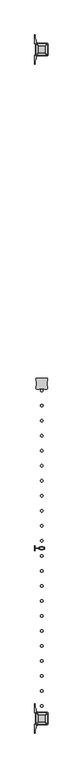
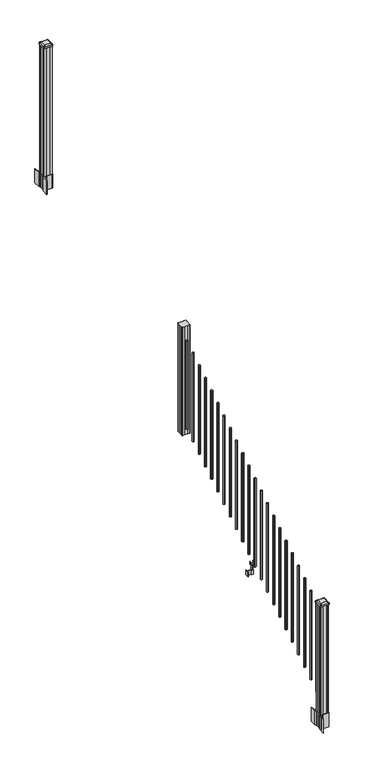
"""IFC4 building model written with IfcOpenShell, lengths in millimetres: railing geometry."""

from ifc_helpers import new_model, si_unit, point, frame, frame_2d, origin, place, context, project, spatial, polyline, circle_curve, trimmed, segment, composite_curve, outline, extrude, source, transform, mapped, element, save
from ifc_brep_helpers import plane_surface, extruded_surface, advanced_brep


def railing_ba04a3ee(model_context):
    return source(origin(), model_context, "Body", "SolidModel", [
        extrude(outline(polyline([(11204.5927034, -19900.5544681), (11203.0052034, -19898.9669681), (11203.0052034, -19879.3454681), (11204.5927034, -19878.5834681), (11204.5927034, -19839.9754681), (11203.0052034, -19839.2134681), (11203.0052034, -19819.5919681), (11204.5927034, -19818.0044681), (11224.2142034, -19818.0044681), (11224.9762034, -19819.5919681), (11263.5842034, -19819.5919681), (11264.3462034, -19818.0044681), (11283.9677034, -19818.0044681), (11285.5552034, -19819.5919681), (11285.5552034, -19839.2134681), (11283.9677034, -19839.9754681), (11283.9677034, -19878.5834681), (11285.5552034, -19879.3454681), (11285.5552034, -19898.9669681), (11283.9677034, -19900.5544681), (11264.3462034, -19900.5544681), (11263.5842034, -19898.9669681), (11224.9762034, -19898.9669681), (11224.2142034, -19900.5544681), (11204.5927034, -19900.5544681)])), frame((0.0, 0.0, 1716.0875), z_axis=(0.0, 0.0, 1.0), x_axis=(1.0, 0.0, 0.0)), (0.0, 0.0, 1.0), 1183.764263),
        extrude(outline(composite_curve([segment(trimmed(circle_curve(frame_2d((11244.2802034, -19911.6034681)), 9.525), [point((11253.8052034, -19911.6034681))], [point((11244.2802034, -19921.1284681))], False, "CARTESIAN"), True, "CONTINUOUS"), segment(trimmed(circle_curve(frame_2d((11244.2802034, -19911.6034681)), 9.525), [point((11244.2802034, -19921.1284681))], [point((11234.7552034, -19911.6034681))], False, "CARTESIAN"), True, "CONTINUOUS"), segment(trimmed(circle_curve(frame_2d((11244.2802034, -19911.6034681)), 9.525), [point((11234.7552034, -19911.6034681))], [point((11244.2802034, -19902.0784681))], False, "CARTESIAN"), True, "CONTINUOUS"), segment(trimmed(circle_curve(frame_2d((11244.2802034, -19911.6034681)), 9.525), [point((11244.2802034, -19902.0784681))], [point((11253.8052034, -19911.6034681))], False, "CARTESIAN"), True, "CONTINUOUS")], self_intersect=False)), frame((0.0, 0.0, 1784.9808781), z_axis=(0.0, 0.0, 1.0), x_axis=(1.0, 0.0, 0.0)), (0.0, 0.0, 1.0), 965.2041219),
        extrude(outline(composite_curve([segment(trimmed(circle_curve(frame_2d((11244.2802034, -20022.8554681)), 9.525), [point((11253.8052034, -20022.8554681))], [point((11244.2802034, -20032.3804681))], False, "CARTESIAN"), True, "CONTINUOUS"), segment(trimmed(circle_curve(frame_2d((11244.2802034, -20022.8554681)), 9.525), [point((11244.2802034, -20032.3804681))], [point((11234.7552034, -20022.8554681))], False, "CARTESIAN"), True, "CONTINUOUS"), segment(trimmed(circle_curve(frame_2d((11244.2802034, -20022.8554681)), 9.525), [point((11234.7552034, -20022.8554681))], [point((11244.2802034, -20013.3304681))], False, "CARTESIAN"), True, "CONTINUOUS"), segment(trimmed(circle_curve(frame_2d((11244.2802034, -20022.8554681)), 9.525), [point((11244.2802034, -20013.3304681))], [point((11253.8052034, -20022.8554681))], False, "CARTESIAN"), True, "CONTINUOUS")], self_intersect=False)), frame((0.0, 0.0, 1715.4483781), z_axis=(0.0, 0.0, 1.0), x_axis=(1.0, 0.0, 0.0)), (0.0, 0.0, 1.0), 965.2041219),
        extrude(outline(composite_curve([segment(trimmed(circle_curve(frame_2d((11244.2802034, -20134.1074681)), 9.525), [point((11253.8052034, -20134.1074681))], [point((11244.2802034, -20143.6324681))], False, "CARTESIAN"), True, "CONTINUOUS"), segment(trimmed(circle_curve(frame_2d((11244.2802034, -20134.1074681)), 9.525), [point((11244.2802034, -20143.6324681))], [point((11234.7552034, -20134.1074681))], False, "CARTESIAN"), True, "CONTINUOUS"), segment(trimmed(circle_curve(frame_2d((11244.2802034, -20134.1074681)), 9.525), [point((11234.7552034, -20134.1074681))], [point((11244.2802034, -20124.5824681))], False, "CARTESIAN"), True, "CONTINUOUS"), segment(trimmed(circle_curve(frame_2d((11244.2802034, -20134.1074681)), 9.525), [point((11244.2802034, -20124.5824681))], [point((11253.8052034, -20134.1074681))], False, "CARTESIAN"), True, "CONTINUOUS")], self_intersect=False)), frame((0.0, 0.0, 1645.9158781), z_axis=(0.0, 0.0, 1.0), x_axis=(1.0, 0.0, 0.0)), (0.0, 0.0, 1.0), 965.2041219),
        extrude(outline(composite_curve([segment(trimmed(circle_curve(frame_2d((11244.2802034, -20245.3594681)), 9.525), [point((11253.8052034, -20245.3594681))], [point((11244.2802034, -20254.8844681))], False, "CARTESIAN"), True, "CONTINUOUS"), segment(trimmed(circle_curve(frame_2d((11244.2802034, -20245.3594681)), 9.525), [point((11244.2802034, -20254.8844681))], [point((11234.7552034, -20245.3594681))], False, "CARTESIAN"), True, "CONTINUOUS"), segment(trimmed(circle_curve(frame_2d((11244.2802034, -20245.3594681)), 9.525), [point((11234.7552034, -20245.3594681))], [point((11244.2802034, -20235.8344681))], False, "CARTESIAN"), True, "CONTINUOUS"), segment(trimmed(circle_curve(frame_2d((11244.2802034, -20245.3594681)), 9.525), [point((11244.2802034, -20235.8344681))], [point((11253.8052034, -20245.3594681))], False, "CARTESIAN"), True, "CONTINUOUS")], self_intersect=False)), frame((0.0, 0.0, 1576.3833781), z_axis=(0.0, 0.0, 1.0), x_axis=(1.0, 0.0, 0.0)), (0.0, 0.0, 1.0), 965.2041219),
        extrude(outline(composite_curve([segment(trimmed(circle_curve(frame_2d((11244.2802034, -20356.6114681)), 9.525), [point((11253.8052034, -20356.6114681))], [point((11244.2802034, -20366.1364681))], False, "CARTESIAN"), True, "CONTINUOUS"), segment(trimmed(circle_curve(frame_2d((11244.2802034, -20356.6114681)), 9.525), [point((11244.2802034, -20366.1364681))], [point((11234.7552034, -20356.6114681))], False, "CARTESIAN"), True, "CONTINUOUS"), segment(trimmed(circle_curve(frame_2d((11244.2802034, -20356.6114681)), 9.525), [point((11234.7552034, -20356.6114681))], [point((11244.2802034, -20347.0864681))], False, "CARTESIAN"), True, "CONTINUOUS"), segment(trimmed(circle_curve(frame_2d((11244.2802034, -20356.6114681)), 9.525), [point((11244.2802034, -20347.0864681))], [point((11253.8052034, -20356.6114681))], False, "CARTESIAN"), True, "CONTINUOUS")], self_intersect=False)), frame((0.0, 0.0, 1506.8508781), z_axis=(0.0, 0.0, 1.0), x_axis=(1.0, 0.0, 0.0)), (0.0, 0.0, 1.0), 965.2041219),
        extrude(outline(composite_curve([segment(trimmed(circle_curve(frame_2d((11244.2802034, -20467.8634681)), 9.525), [point((11253.8052034, -20467.8634681))], [point((11244.2802034, -20477.3884681))], False, "CARTESIAN"), True, "CONTINUOUS"), segment(trimmed(circle_curve(frame_2d((11244.2802034, -20467.8634681)), 9.525), [point((11244.2802034, -20477.3884681))], [point((11234.7552034, -20467.8634681))], False, "CARTESIAN"), True, "CONTINUOUS"), segment(trimmed(circle_curve(frame_2d((11244.2802034, -20467.8634681)), 9.525), [point((11234.7552034, -20467.8634681))], [point((11244.2802034, -20458.3384681))], False, "CARTESIAN"), True, "CONTINUOUS"), segment(trimmed(circle_curve(frame_2d((11244.2802034, -20467.8634681)), 9.525), [point((11244.2802034, -20458.3384681))], [point((11253.8052034, -20467.8634681))], False, "CARTESIAN"), True, "CONTINUOUS")], self_intersect=False)), frame((0.0, 0.0, 1437.3183781), z_axis=(0.0, 0.0, 1.0), x_axis=(1.0, 0.0, 0.0)), (0.0, 0.0, 1.0), 965.2041219),
        extrude(outline(composite_curve([segment(trimmed(circle_curve(frame_2d((11244.2802034, -20579.1154681)), 9.525), [point((11253.8052034, -20579.1154681))], [point((11244.2802034, -20588.6404681))], False, "CARTESIAN"), True, "CONTINUOUS"), segment(trimmed(circle_curve(frame_2d((11244.2802034, -20579.1154681)), 9.525), [point((11244.2802034, -20588.6404681))], [point((11234.7552034, -20579.1154681))], False, "CARTESIAN"), True, "CONTINUOUS"), segment(trimmed(circle_curve(frame_2d((11244.2802034, -20579.1154681)), 9.525), [point((11234.7552034, -20579.1154681))], [point((11244.2802034, -20569.5904681))], False, "CARTESIAN"), True, "CONTINUOUS"), segment(trimmed(circle_curve(frame_2d((11244.2802034, -20579.1154681)), 9.525), [point((11244.2802034, -20569.5904681))], [point((11253.8052034, -20579.1154681))], False, "CARTESIAN"), True, "CONTINUOUS")], self_intersect=False)), frame((0.0, 0.0, 1367.7858781), z_axis=(0.0, 0.0, 1.0), x_axis=(1.0, 0.0, 0.0)), (0.0, 0.0, 1.0), 965.2041219),
        extrude(outline(composite_curve([segment(trimmed(circle_curve(frame_2d((11244.2802034, -20690.3674681)), 9.525), [point((11253.8052034, -20690.3674681))], [point((11244.2802034, -20699.8924681))], False, "CARTESIAN"), True, "CONTINUOUS"), segment(trimmed(circle_curve(frame_2d((11244.2802034, -20690.3674681)), 9.525), [point((11244.2802034, -20699.8924681))], [point((11234.7552034, -20690.3674681))], False, "CARTESIAN"), True, "CONTINUOUS"), segment(trimmed(circle_curve(frame_2d((11244.2802034, -20690.3674681)), 9.525), [point((11234.7552034, -20690.3674681))], [point((11244.2802034, -20680.8424681))], False, "CARTESIAN"), True, "CONTINUOUS"), segment(trimmed(circle_curve(frame_2d((11244.2802034, -20690.3674681)), 9.525), [point((11244.2802034, -20680.8424681))], [point((11253.8052034, -20690.3674681))], False, "CARTESIAN"), True, "CONTINUOUS")], self_intersect=False)), frame((0.0, 0.0, 1298.2533781), z_axis=(0.0, 0.0, 1.0), x_axis=(1.0, 0.0, 0.0)), (0.0, 0.0, 1.0), 965.2041219),
        extrude(outline(composite_curve([segment(trimmed(circle_curve(frame_2d((11244.2802034, -20801.6194681)), 9.525), [point((11253.8052034, -20801.6194681))], [point((11244.2802034, -20811.1444681))], False, "CARTESIAN"), True, "CONTINUOUS"), segment(trimmed(circle_curve(frame_2d((11244.2802034, -20801.6194681)), 9.525), [point((11244.2802034, -20811.1444681))], [point((11234.7552034, -20801.6194681))], False, "CARTESIAN"), True, "CONTINUOUS"), segment(trimmed(circle_curve(frame_2d((11244.2802034, -20801.6194681)), 9.525), [point((11234.7552034, -20801.6194681))], [point((11244.2802034, -20792.0944681))], False, "CARTESIAN"), True, "CONTINUOUS"), segment(trimmed(circle_curve(frame_2d((11244.2802034, -20801.6194681)), 9.525), [point((11244.2802034, -20792.0944681))], [point((11253.8052034, -20801.6194681))], False, "CARTESIAN"), True, "CONTINUOUS")], self_intersect=False)), frame((0.0, 0.0, 1228.7208781), z_axis=(0.0, 0.0, 1.0), x_axis=(1.0, 0.0, 0.0)), (0.0, 0.0, 1.0), 965.2041219),
        extrude(outline(composite_curve([segment(trimmed(circle_curve(frame_2d((11244.2802034, -20912.8714681)), 9.525), [point((11253.8052034, -20912.8714681))], [point((11244.2802034, -20922.3964681))], False, "CARTESIAN"), True, "CONTINUOUS"), segment(trimmed(circle_curve(frame_2d((11244.2802034, -20912.8714681)), 9.525), [point((11244.2802034, -20922.3964681))], [point((11234.7552034, -20912.8714681))], False, "CARTESIAN"), True, "CONTINUOUS"), segment(trimmed(circle_curve(frame_2d((11244.2802034, -20912.8714681)), 9.525), [point((11234.7552034, -20912.8714681))], [point((11244.2802034, -20903.3464681))], False, "CARTESIAN"), True, "CONTINUOUS"), segment(trimmed(circle_curve(frame_2d((11244.2802034, -20912.8714681)), 9.525), [point((11244.2802034, -20903.3464681))], [point((11253.8052034, -20912.8714681))], False, "CARTESIAN"), True, "CONTINUOUS")], self_intersect=False)), frame((0.0, 0.0, 1159.1883781), z_axis=(0.0, 0.0, 1.0), x_axis=(1.0, 0.0, 0.0)), (0.0, 0.0, 1.0), 965.2041219),
        extrude(outline(composite_curve([segment(trimmed(circle_curve(frame_2d((11244.2802034, -21024.1234681)), 9.525), [point((11253.8052034, -21024.1234681))], [point((11244.2802034, -21033.6484681))], False, "CARTESIAN"), True, "CONTINUOUS"), segment(trimmed(circle_curve(frame_2d((11244.2802034, -21024.1234681)), 9.525), [point((11244.2802034, -21033.6484681))], [point((11234.7552034, -21024.1234681))], False, "CARTESIAN"), True, "CONTINUOUS"), segment(trimmed(circle_curve(frame_2d((11244.2802034, -21024.1234681)), 9.525), [point((11234.7552034, -21024.1234681))], [point((11244.2802034, -21014.5984681))], False, "CARTESIAN"), True, "CONTINUOUS"), segment(trimmed(circle_curve(frame_2d((11244.2802034, -21024.1234681)), 9.525), [point((11244.2802034, -21014.5984681))], [point((11253.8052034, -21024.1234681))], False, "CARTESIAN"), True, "CONTINUOUS")], self_intersect=False)), frame((0.0, 0.0, 1089.6558781), z_axis=(0.0, 0.0, 1.0), x_axis=(1.0, 0.0, 0.0)), (0.0, 0.0, 1.0), 965.2041219),
        extrude(outline(polyline([(11233.6122036, -21081.0194681), (11194.2422034, -21081.0194681), (11194.2422034, -21078.4794681), (11233.6122036, -21078.4794681), (11233.6122036, -21081.0194681)])), frame((0.0, 0.0, 902.49375), z_axis=(0.0, 0.0, 1.0), x_axis=(1.0, 0.0, 0.0)), (0.0, 0.0, 1.0), 50.8),
        extrude(outline(polyline([(11194.2422034, -21098.7994681), (11191.7022034, -21098.7994681), (11191.7022034, -21060.6994681), (11194.2422034, -21060.6994681), (11194.2422034, -21098.7994681)])), frame((0.0, 0.0, 902.49375), z_axis=(0.0, 0.0, 1.0), x_axis=(1.0, 0.0, 0.0)), (0.0, 0.0, 1.0), 50.8),
        extrude(outline(polyline([(11254.9482041, -21089.6554681), (11233.6122036, -21089.6554681), (11233.6122036, -21069.8434681), (11254.9482041, -21069.8434681), (11254.9482041, -21089.6554681)]), holes=[polyline([(11251.646204, -21087.1154681), (11251.646204, -21072.3834681), (11236.9142037, -21072.3834681), (11236.9142037, -21087.1154681), (11251.646204, -21087.1154681)])]), frame((0.0, 0.0, 902.49375), z_axis=(0.0, 0.0, 1.0), x_axis=(1.0, 0.0, 0.0)), (0.0, 0.0, 1.0), 50.8),
        extrude(outline(polyline([(1042.0141479, 11226.1192046), (1041.2521469, 11225.3572035), (1014.7617523, 11225.3572035), (1013.9997513, 11226.1192046), (1013.9997513, 11236.1522036), (1013.2377512, 11236.9142037), (949.7377512, 11236.9142037), (949.7377512, 11251.646204), (1013.2377512, 11251.646204), (1013.9997513, 11252.4082041), (1013.9997513, 11262.4412032), (1014.7617523, 11263.2032042), (1041.2521469, 11263.2032042), (1042.0141479, 11262.4412032), (1042.0141479, 11260.4092036), (1040.9981453, 11259.3932038), (1030.5623581, 11259.3932038), (1029.5463573, 11260.4092036), (1017.555751, 11260.4092036), (1016.7937519, 11259.6472044), (1016.7937519, 11228.9132033), (1017.555751, 11228.1512041), (1029.5463573, 11228.1512041), (1030.5623581, 11229.1672039), (1040.9981453, 11229.1672039), (1042.0141479, 11228.1512041), (1042.0141479, 11226.1192046)]), holes=[polyline([(1013.9997513, 11247.7092038), (1013.2377512, 11248.4712038), (957.2307531, 11248.4712038), (956.4687531, 11247.7092038), (956.4687531, 11240.8512011), (957.2307503, 11240.0892039), (1013.2377512, 11240.0892039), (1013.9997513, 11240.851204), (1013.9997513, 11247.7092038)])]), frame((0.0, -21087.1154681, 0.0), z_axis=(0.0, 1.0, 0.0), x_axis=(0.0, 0.0, 1.0)), (0.0, 0.0, 1.0), 14.732),
        extrude(outline(composite_curve([segment(trimmed(circle_curve(frame_2d((11244.2802034, -21135.3754681)), 9.525), [point((11253.8052034, -21135.3754681))], [point((11244.2802034, -21144.9004681))], False, "CARTESIAN"), True, "CONTINUOUS"), segment(trimmed(circle_curve(frame_2d((11244.2802034, -21135.3754681)), 9.525), [point((11244.2802034, -21144.9004681))], [point((11234.7552034, -21135.3754681))], False, "CARTESIAN"), True, "CONTINUOUS"), segment(trimmed(circle_curve(frame_2d((11244.2802034, -21135.3754681)), 9.525), [point((11234.7552034, -21135.3754681))], [point((11244.2802034, -21125.8504681))], False, "CARTESIAN"), True, "CONTINUOUS"), segment(trimmed(circle_curve(frame_2d((11244.2802034, -21135.3754681)), 9.525), [point((11244.2802034, -21125.8504681))], [point((11253.8052034, -21135.3754681))], False, "CARTESIAN"), True, "CONTINUOUS")], self_intersect=False)), frame((0.0, 0.0, 1020.1233781), z_axis=(0.0, 0.0, 1.0), x_axis=(1.0, 0.0, 0.0)), (0.0, 0.0, 1.0), 965.2041219),
        extrude(outline(composite_curve([segment(trimmed(circle_curve(frame_2d((11244.2802034, -21246.6274681)), 9.525), [point((11253.8052034, -21246.6274681))], [point((11244.2802034, -21256.1524681))], False, "CARTESIAN"), True, "CONTINUOUS"), segment(trimmed(circle_curve(frame_2d((11244.2802034, -21246.6274681)), 9.525), [point((11244.2802034, -21256.1524681))], [point((11234.7552034, -21246.6274681))], False, "CARTESIAN"), True, "CONTINUOUS"), segment(trimmed(circle_curve(frame_2d((11244.2802034, -21246.6274681)), 9.525), [point((11234.7552034, -21246.6274681))], [point((11244.2802034, -21237.1024681))], False, "CARTESIAN"), True, "CONTINUOUS"), segment(trimmed(circle_curve(frame_2d((11244.2802034, -21246.6274681)), 9.525), [point((11244.2802034, -21237.1024681))], [point((11253.8052034, -21246.6274681))], False, "CARTESIAN"), True, "CONTINUOUS")], self_intersect=False)), frame((0.0, 0.0, 950.5908781), z_axis=(0.0, 0.0, 1.0), x_axis=(1.0, 0.0, 0.0)), (0.0, 0.0, 1.0), 965.2041219),
        extrude(outline(composite_curve([segment(trimmed(circle_curve(frame_2d((11244.2802034, -21357.8794681)), 9.525), [point((11253.8052034, -21357.8794681))], [point((11244.2802034, -21367.4044681))], False, "CARTESIAN"), True, "CONTINUOUS"), segment(trimmed(circle_curve(frame_2d((11244.2802034, -21357.8794681)), 9.525), [point((11244.2802034, -21367.4044681))], [point((11234.7552034, -21357.8794681))], False, "CARTESIAN"), True, "CONTINUOUS"), segment(trimmed(circle_curve(frame_2d((11244.2802034, -21357.8794681)), 9.525), [point((11234.7552034, -21357.8794681))], [point((11244.2802034, -21348.3544681))], False, "CARTESIAN"), True, "CONTINUOUS"), segment(trimmed(circle_curve(frame_2d((11244.2802034, -21357.8794681)), 9.525), [point((11244.2802034, -21348.3544681))], [point((11253.8052034, -21357.8794681))], False, "CARTESIAN"), True, "CONTINUOUS")], self_intersect=False)), frame((0.0, 0.0, 881.0583781), z_axis=(0.0, 0.0, 1.0), x_axis=(1.0, 0.0, 0.0)), (0.0, 0.0, 1.0), 965.2041219),
        extrude(outline(composite_curve([segment(trimmed(circle_curve(frame_2d((11244.2802034, -21469.1314681)), 9.525), [point((11253.8052034, -21469.1314681))], [point((11244.2802034, -21478.6564681))], False, "CARTESIAN"), True, "CONTINUOUS"), segment(trimmed(circle_curve(frame_2d((11244.2802034, -21469.1314681)), 9.525), [point((11244.2802034, -21478.6564681))], [point((11234.7552034, -21469.1314681))], False, "CARTESIAN"), True, "CONTINUOUS"), segment(trimmed(circle_curve(frame_2d((11244.2802034, -21469.1314681)), 9.525), [point((11234.7552034, -21469.1314681))], [point((11244.2802034, -21459.6064681))], False, "CARTESIAN"), True, "CONTINUOUS"), segment(trimmed(circle_curve(frame_2d((11244.2802034, -21469.1314681)), 9.525), [point((11244.2802034, -21459.6064681))], [point((11253.8052034, -21469.1314681))], False, "CARTESIAN"), True, "CONTINUOUS")], self_intersect=False)), frame((0.0, 0.0, 811.5258781), z_axis=(0.0, 0.0, 1.0), x_axis=(1.0, 0.0, 0.0)), (0.0, 0.0, 1.0), 965.2041219),
        extrude(outline(composite_curve([segment(trimmed(circle_curve(frame_2d((11244.2802034, -21580.3834681)), 9.525), [point((11253.8052034, -21580.3834681))], [point((11244.2802034, -21589.9084681))], False, "CARTESIAN"), True, "CONTINUOUS"), segment(trimmed(circle_curve(frame_2d((11244.2802034, -21580.3834681)), 9.525), [point((11244.2802034, -21589.9084681))], [point((11234.7552034, -21580.3834681))], False, "CARTESIAN"), True, "CONTINUOUS"), segment(trimmed(circle_curve(frame_2d((11244.2802034, -21580.3834681)), 9.525), [point((11234.7552034, -21580.3834681))], [point((11244.2802034, -21570.8584681))], False, "CARTESIAN"), True, "CONTINUOUS"), segment(trimmed(circle_curve(frame_2d((11244.2802034, -21580.3834681)), 9.525), [point((11244.2802034, -21570.8584681))], [point((11253.8052034, -21580.3834681))], False, "CARTESIAN"), True, "CONTINUOUS")], self_intersect=False)), frame((0.0, 0.0, 741.9933781), z_axis=(0.0, 0.0, 1.0), x_axis=(1.0, 0.0, 0.0)), (0.0, 0.0, 1.0), 965.2041219),
        extrude(outline(composite_curve([segment(trimmed(circle_curve(frame_2d((11244.2802034, -21691.6354681)), 9.525), [point((11253.8052034, -21691.6354681))], [point((11244.2802034, -21701.1604681))], False, "CARTESIAN"), True, "CONTINUOUS"), segment(trimmed(circle_curve(frame_2d((11244.2802034, -21691.6354681)), 9.525), [point((11244.2802034, -21701.1604681))], [point((11234.7552034, -21691.6354681))], False, "CARTESIAN"), True, "CONTINUOUS"), segment(trimmed(circle_curve(frame_2d((11244.2802034, -21691.6354681)), 9.525), [point((11234.7552034, -21691.6354681))], [point((11244.2802034, -21682.1104681))], False, "CARTESIAN"), True, "CONTINUOUS"), segment(trimmed(circle_curve(frame_2d((11244.2802034, -21691.6354681)), 9.525), [point((11244.2802034, -21682.1104681))], [point((11253.8052034, -21691.6354681))], False, "CARTESIAN"), True, "CONTINUOUS")], self_intersect=False)), frame((0.0, 0.0, 672.4608781), z_axis=(0.0, 0.0, 1.0), x_axis=(1.0, 0.0, 0.0)), (0.0, 0.0, 1.0), 965.2041219),
        extrude(outline(composite_curve([segment(trimmed(circle_curve(frame_2d((11244.2802034, -21802.8874681)), 9.525), [point((11253.8052034, -21802.8874681))], [point((11244.2802034, -21812.4124681))], False, "CARTESIAN"), True, "CONTINUOUS"), segment(trimmed(circle_curve(frame_2d((11244.2802034, -21802.8874681)), 9.525), [point((11244.2802034, -21812.4124681))], [point((11234.7552034, -21802.8874681))], False, "CARTESIAN"), True, "CONTINUOUS"), segment(trimmed(circle_curve(frame_2d((11244.2802034, -21802.8874681)), 9.525), [point((11234.7552034, -21802.8874681))], [point((11244.2802034, -21793.3624681))], False, "CARTESIAN"), True, "CONTINUOUS"), segment(trimmed(circle_curve(frame_2d((11244.2802034, -21802.8874681)), 9.525), [point((11244.2802034, -21793.3624681))], [point((11253.8052034, -21802.8874681))], False, "CARTESIAN"), True, "CONTINUOUS")], self_intersect=False)), frame((0.0, 0.0, 602.9283781), z_axis=(0.0, 0.0, 1.0), x_axis=(1.0, 0.0, 0.0)), (0.0, 0.0, 1.0), 965.2041219),
        extrude(outline(composite_curve([segment(trimmed(circle_curve(frame_2d((11244.2802034, -21914.1394681)), 9.525), [point((11253.8052034, -21914.1394681))], [point((11244.2802034, -21923.6644681))], False, "CARTESIAN"), True, "CONTINUOUS"), segment(trimmed(circle_curve(frame_2d((11244.2802034, -21914.1394681)), 9.525), [point((11244.2802034, -21923.6644681))], [point((11234.7552034, -21914.1394681))], False, "CARTESIAN"), True, "CONTINUOUS"), segment(trimmed(circle_curve(frame_2d((11244.2802034, -21914.1394681)), 9.525), [point((11234.7552034, -21914.1394681))], [point((11244.2802034, -21904.6144681))], False, "CARTESIAN"), True, "CONTINUOUS"), segment(trimmed(circle_curve(frame_2d((11244.2802034, -21914.1394681)), 9.525), [point((11244.2802034, -21904.6144681))], [point((11253.8052034, -21914.1394681))], False, "CARTESIAN"), True, "CONTINUOUS")], self_intersect=False)), frame((0.0, 0.0, 533.3958781), z_axis=(0.0, 0.0, 1.0), x_axis=(1.0, 0.0, 0.0)), (0.0, 0.0, 1.0), 965.2041219),
        extrude(outline(composite_curve([segment(trimmed(circle_curve(frame_2d((11244.2802034, -22025.3914681)), 9.525), [point((11253.8052034, -22025.3914681))], [point((11244.2802034, -22034.9164681))], False, "CARTESIAN"), True, "CONTINUOUS"), segment(trimmed(circle_curve(frame_2d((11244.2802034, -22025.3914681)), 9.525), [point((11244.2802034, -22034.9164681))], [point((11234.7552034, -22025.3914681))], False, "CARTESIAN"), True, "CONTINUOUS"), segment(trimmed(circle_curve(frame_2d((11244.2802034, -22025.3914681)), 9.525), [point((11234.7552034, -22025.3914681))], [point((11244.2802034, -22015.8664681))], False, "CARTESIAN"), True, "CONTINUOUS"), segment(trimmed(circle_curve(frame_2d((11244.2802034, -22025.3914681)), 9.525), [point((11244.2802034, -22015.8664681))], [point((11253.8052034, -22025.3914681))], False, "CARTESIAN"), True, "CONTINUOUS")], self_intersect=False)), frame((0.0, 0.0, 463.8633781), z_axis=(0.0, 0.0, 1.0), x_axis=(1.0, 0.0, 0.0)), (0.0, 0.0, 1.0), 965.2041219),
        extrude(outline(composite_curve([segment(trimmed(circle_curve(frame_2d((11244.2802034, -22136.6434681)), 9.525), [point((11253.8052034, -22136.6434681))], [point((11244.2802034, -22146.1684681))], False, "CARTESIAN"), True, "CONTINUOUS"), segment(trimmed(circle_curve(frame_2d((11244.2802034, -22136.6434681)), 9.525), [point((11244.2802034, -22146.1684681))], [point((11234.7552034, -22136.6434681))], False, "CARTESIAN"), True, "CONTINUOUS"), segment(trimmed(circle_curve(frame_2d((11244.2802034, -22136.6434681)), 9.525), [point((11234.7552034, -22136.6434681))], [point((11244.2802034, -22127.1184681))], False, "CARTESIAN"), True, "CONTINUOUS"), segment(trimmed(circle_curve(frame_2d((11244.2802034, -22136.6434681)), 9.525), [point((11244.2802034, -22127.1184681))], [point((11253.8052034, -22136.6434681))], False, "CARTESIAN"), True, "CONTINUOUS")], self_intersect=False)), frame((0.0, 0.0, 394.3308781), z_axis=(0.0, 0.0, 1.0), x_axis=(1.0, 0.0, 0.0)), (0.0, 0.0, 1.0), 965.2041219),
        extrude(outline(composite_curve([segment(trimmed(circle_curve(frame_2d((11244.2802034, -22247.8954681)), 9.525), [point((11253.8052034, -22247.8954681))], [point((11244.2802034, -22257.4204681))], False, "CARTESIAN"), True, "CONTINUOUS"), segment(trimmed(circle_curve(frame_2d((11244.2802034, -22247.8954681)), 9.525), [point((11244.2802034, -22257.4204681))], [point((11234.7552034, -22247.8954681))], False, "CARTESIAN"), True, "CONTINUOUS"), segment(trimmed(circle_curve(frame_2d((11244.2802034, -22247.8954681)), 9.525), [point((11234.7552034, -22247.8954681))], [point((11244.2802034, -22238.3704681))], False, "CARTESIAN"), True, "CONTINUOUS"), segment(trimmed(circle_curve(frame_2d((11244.2802034, -22247.8954681)), 9.525), [point((11244.2802034, -22238.3704681))], [point((11253.8052034, -22247.8954681))], False, "CARTESIAN"), True, "CONTINUOUS")], self_intersect=False)), frame((0.0, 0.0, 324.7983781), z_axis=(0.0, 0.0, 1.0), x_axis=(1.0, 0.0, 0.0)), (0.0, 0.0, 1.0), 965.2041219),
        extrude(outline(polyline([(11204.5927034, -17423.2924681), (11203.0052034, -17421.7049681), (11203.0052034, -17402.0834681), (11204.5927034, -17401.3214681), (11204.5927034, -17362.7134681), (11203.0052034, -17361.9514681), (11203.0052034, -17342.3299681), (11204.5927034, -17340.7424681), (11224.2142034, -17340.7424681), (11224.9762034, -17342.3299681), (11263.5842034, -17342.3299681), (11264.3462034, -17340.7424681), (11283.9677034, -17340.7424681), (11285.5552034, -17342.3299681), (11285.5552034, -17361.9514681), (11283.9677034, -17362.7134681), (11283.9677034, -17401.3214681), (11285.5552034, -17402.0834681), (11285.5552034, -17421.7049681), (11283.9677034, -17423.2924681), (11264.3462034, -17423.2924681), (11263.5842034, -17421.7049681), (11224.9762034, -17421.7049681), (11224.2142034, -17423.2924681), (11204.5927034, -17423.2924681)])), frame((0.0, 0.0, 3048.0), z_axis=(0.0, 0.0, 1.0), x_axis=(1.0, 0.0, 0.0)), (0.0, 0.0, 1.0), 1400.140513),
        extrude(outline(composite_curve([segment(polyline([(11287.0157034, -17399.403563), (11288.6032034, -17400.165563), (11288.6032034, -17422.967491), (11285.2302263, -17426.3404681), (11223.7705555, -17426.3404681), (11223.7705555, -17427.2612181), (11218.4530117, -17427.2612181), (11218.4530117, -17428.7154728), (11213.368482, -17428.7154728), (11213.368482, -17429.9994966), (11211.7012097, -17429.9994966)]), True, "CONTINUOUS"), segment(trimmed(circle_curve(frame_2d((11211.7012097, -17437.0589565)), 7.0594599), [point((11211.7012097, -17429.9994966))], [point((11204.9339468, -17435.0489498))], True, "CARTESIAN"), True, "CONTINUOUS"), segment(polyline([(11204.9339468, -17435.0489498), (11197.0597526, -17461.5596789)]), True, "CONTINUOUS"), segment(trimmed(circle_curve(frame_2d((11251.8442659, -17477.8317285)), 57.15), [point((11197.0597526, -17461.5596789))], [point((11194.6942659, -17477.8317285))], True, "CARTESIAN"), True, "CONTINUOUS"), segment(polyline([(11194.6942659, -17477.8317285), (11194.6942659, -17489.8404681), (11191.6942659, -17489.8404681), (11191.6942659, -17424.7529681), (11199.9572034, -17413.4146768), (11199.9572034, -17400.165563), (11201.5447034, -17399.403563), (11201.5447034, -17364.6313732), (11199.9572034, -17363.8693732), (11199.9572034, -17350.6202594), (11191.6942659, -17339.2819681), (11191.6942659, -17274.1944681), (11194.6942659, -17274.1944681), (11194.6942659, -17286.2032076)]), True, "CONTINUOUS"), segment(trimmed(circle_curve(frame_2d((11251.8442659, -17286.2032076)), 57.15), [point((11194.6942659, -17286.2032076))], [point((11197.0597526, -17302.4752573))], True, "CARTESIAN"), True, "CONTINUOUS"), segment(polyline([(11197.0597526, -17302.4752573), (11204.9339468, -17328.9859864)]), True, "CONTINUOUS"), segment(trimmed(circle_curve(frame_2d((11211.7012097, -17326.9759797)), 7.0594599), [point((11204.9339468, -17328.9859864))], [point((11211.7012097, -17334.0354396))], True, "CARTESIAN"), True, "CONTINUOUS"), segment(polyline([(11211.7012097, -17334.0354396), (11213.368482, -17334.0354396), (11213.368482, -17335.3194634), (11218.4530117, -17335.3194634), (11218.4530117, -17336.7737181), (11223.7705555, -17336.7737181), (11223.7705555, -17337.6944681), (11285.2302263, -17337.6944681), (11288.6032034, -17341.0674452), (11288.6032034, -17363.8693732), (11287.0157034, -17364.6313732), (11287.0157034, -17399.403563)]), True, "CONTINUOUS")], self_intersect=False), holes=[polyline([(11203.0052034, -17342.3299681), (11203.0052034, -17421.7049681), (11204.5927034, -17423.2924681), (11241.516986, -17423.2924681), (11283.9677034, -17423.2924681), (11285.5552034, -17421.7049681), (11285.5552034, -17342.3299681), (11283.9677034, -17340.7424681), (11241.516986, -17340.7424681), (11204.5927034, -17340.7424681), (11203.0052034, -17342.3299681)])]), frame((0.0, 0.0, 2895.6), z_axis=(0.0, 0.0, 1.0), x_axis=(1.0, 0.0, 0.0)), (0.0, 0.0, 1.0), 152.4),
        advanced_brep(
        [(11218.4833284, -17410.9893431, 4476.715513), (11270.0770784, -17410.9893431, 4476.715513), (11273.2520784, -17407.8143431, 4476.715513), (11273.2520784, -17356.2205931, 4476.715513), (11270.0770784, -17353.0455931, 4476.715513), (11218.4833284, -17353.0455931, 4476.715513), (11215.3083284, -17356.2205931, 4476.715513), (11215.3083284, -17407.8143431, 4476.715513), (11202.2114534, -17427.2612181, 4465.412513), (11199.0364534, -17424.0862181, 4465.412513), (11199.0364534, -17339.9487181, 4465.412513), (11202.2114534, -17336.7737181, 4465.412513), (11286.3489534, -17336.7737181, 4465.412513), (11289.5239534, -17339.9487181, 4465.412513), (11289.5239534, -17424.0862181, 4465.412513), (11286.3489534, -17427.2612181, 4465.412513)],
        [
            (0, 1),
            (1, 2, circle_curve(frame((11270.0770784, -17407.8143431, 4476.715513), z_axis=(0.0, 0.0, 1.0), x_axis=(0.0, 1.0, 0.0)), 3.175)),
            (2, 3),
            (3, 4, circle_curve(frame((11270.0770784, -17356.2205931, 4476.715513), z_axis=(0.0, 0.0, 1.0), x_axis=(0.0, 1.0, 0.0)), 3.175)),
            (4, 5),
            (5, 6, circle_curve(frame((11218.4833284, -17356.2205931, 4476.715513), z_axis=(0.0, 0.0, 1.0), x_axis=(0.0, 1.0, 0.0)), 3.175)),
            (6, 7),
            (7, 0, circle_curve(frame((11218.4833284, -17407.8143431, 4476.715513), z_axis=(0.0, 0.0, 1.0), x_axis=(0.0, 1.0, 0.0)), 3.175)),
            (8, 9, circle_curve(frame((11202.2114534, -17424.0862181, 4465.412513), z_axis=(0.0, 0.0, -1.0), x_axis=(0.0, 1.0, 0.0)), 3.175)),
            (9, 10),
            (10, 11, circle_curve(frame((11202.2114534, -17339.9487181, 4465.412513), z_axis=(0.0, 0.0, -1.0), x_axis=(0.0, 1.0, 0.0)), 3.175)),
            (11, 12),
            (12, 13, circle_curve(frame((11286.3489534, -17339.9487181, 4465.412513), z_axis=(0.0, 0.0, -1.0), x_axis=(0.0, 1.0, 0.0)), 3.175)),
            (13, 14),
            (14, 15, circle_curve(frame((11286.3489534, -17424.0862181, 4465.412513), z_axis=(0.0, 0.0, -1.0), x_axis=(0.0, 1.0, 0.0)), 3.175)),
            (15, 8),
            (8, 0),
            (7, 9),
            (6, 10),
            (5, 11),
            (4, 12),
            (3, 13),
            (2, 14),
            (1, 15),
        ],
        [
            plane_surface(frame((11244.2802034, -17382.0174681, 4476.715513), z_axis=(0.0, 0.0, 1.0), x_axis=(-1.0, 0.0, 0.0))),
            plane_surface(frame((11244.2802034, -17382.0174681, 4465.412513), z_axis=(0.0, 0.0, -1.0), x_axis=(-1.0, 0.0, 0.0))),
            extruded_surface(trimmed(circle_curve(frame((11218.4833284, -17407.8143431, 4476.715513), z_axis=(0.0, 0.0, -1.0), x_axis=(0.0, 1.0, 0.0)), 3.175), [point((11218.4833284, -17410.9893431, 4476.715513))], [point((11215.3083284, -17407.8143431, 4476.715513))], True, "CARTESIAN"), (-16.271875000000364, -16.271875000002183, -11.302999999999884), 25.637972638867726),
            plane_surface(frame((11199.0364534, -17382.0174681, 4465.412513), z_axis=(-0.5705009161540685, 0.0, 0.8212969649690474), x_axis=(0.0, 1.0, 0.0))),
            extruded_surface(trimmed(circle_curve(frame((11218.4833284, -17356.2205931, 4476.715513), z_axis=(0.0, 0.0, -1.0), x_axis=(0.0, 1.0, 0.0)), 3.175), [point((11215.3083284, -17356.2205931, 4476.715513))], [point((11218.4833284, -17353.0455931, 4476.715513))], True, "CARTESIAN"), (-16.271875000000364, 16.271874999998545, -11.302999999999884), 25.63797263886542),
            plane_surface(frame((11244.2802034, -17336.7737181, 4465.412513), z_axis=(0.0, 0.5705009161540291, 0.8212969649690747), x_axis=(1.0, 0.0, 0.0))),
            extruded_surface(trimmed(circle_curve(frame((11270.0770784, -17356.2205931, 4476.715513), z_axis=(0.0, 0.0, -1.0), x_axis=(0.0, 1.0, 0.0)), 3.175), [point((11270.0770784, -17353.0455931, 4476.715513))], [point((11273.2520784, -17356.2205931, 4476.715513))], True, "CARTESIAN"), (16.271875000000364, 16.271874999998545, -11.302999999999884), 25.63797263886542),
            plane_surface(frame((11289.5239534, -17382.0174681, 4465.412513), z_axis=(0.5705009161540235, 0.0, 0.8212969649690786), x_axis=(0.0, -1.0, 0.0))),
            extruded_surface(trimmed(circle_curve(frame((11270.0770784, -17407.8143431, 4476.715513), z_axis=(0.0, 0.0, -1.0), x_axis=(0.0, 1.0, 0.0)), 3.175), [point((11273.2520784, -17407.8143431, 4476.715513))], [point((11270.0770784, -17410.9893431, 4476.715513))], True, "CARTESIAN"), (16.271875000000364, -16.271875000002183, -11.302999999999884), 25.637972638867726),
            plane_surface(frame((11244.2802034, -17427.2612181, 4465.412513), z_axis=(0.0, -0.570500916154034, 0.8212969649690713), x_axis=(-1.0, 0.0, 0.0))),
        ],
        [
            (0, [[1, 2, 3, 4, 5, 6, 7, 8]]),
            (1, [[9, 10, 11, 12, 13, 14, 15, 16]]),
            (2, [[17, -8, 18, -9]]),
            (3, [[-18, -7, 19, -10]]),
            (4, [[-19, -6, 20, -11]]),
            (5, [[-20, -5, 21, -12]]),
            (6, [[-21, -4, 22, -13]]),
            (7, [[-22, -3, 23, -14]]),
            (8, [[-23, -2, 24, -15]]),
            (9, [[-24, -1, -17, -16]]),
        ],
    ),
        extrude(outline(composite_curve([segment(trimmed(circle_curve(frame_2d((11202.2114534, -17424.0862181)), 3.175), [point((11202.2114534, -17427.2612181))], [point((11199.0364534, -17424.0862181))], False, "CARTESIAN"), True, "CONTINUOUS"), segment(polyline([(11199.0364534, -17424.0862181), (11199.0364534, -17339.9487181)]), True, "CONTINUOUS"), segment(trimmed(circle_curve(frame_2d((11202.2114534, -17339.9487181)), 3.175), [point((11199.0364534, -17339.9487181))], [point((11202.2114534, -17336.7737181))], False, "CARTESIAN"), True, "CONTINUOUS"), segment(polyline([(11202.2114534, -17336.7737181), (11286.3489534, -17336.7737181)]), True, "CONTINUOUS"), segment(trimmed(circle_curve(frame_2d((11286.3489534, -17339.9487181)), 3.175), [point((11286.3489534, -17336.7737181))], [point((11289.5239534, -17339.9487181))], False, "CARTESIAN"), True, "CONTINUOUS"), segment(polyline([(11289.5239534, -17339.9487181), (11289.5239534, -17424.0862181)]), True, "CONTINUOUS"), segment(trimmed(circle_curve(frame_2d((11286.3489534, -17424.0862181)), 3.175), [point((11289.5239534, -17424.0862181))], [point((11286.3489534, -17427.2612181))], False, "CARTESIAN"), True, "CONTINUOUS"), segment(polyline([(11286.3489534, -17427.2612181), (11202.2114534, -17427.2612181)]), True, "CONTINUOUS")], self_intersect=False)), frame((0.0, 0.0, 4448.140513), z_axis=(0.0, 0.0, 1.0), x_axis=(1.0, 0.0, 0.0)), (0.0, 0.0, 1.0), 17.272),
        extrude(outline(composite_curve([segment(polyline([(11287.0157034, -22359.007563), (11288.6032034, -22359.769563), (11288.6032034, -22382.571491), (11285.2302263, -22385.9444681), (11223.7705555, -22385.9444681), (11223.7705555, -22386.8652181), (11218.4530117, -22386.8652181), (11218.4530117, -22388.3194728), (11213.368482, -22388.3194728), (11213.368482, -22389.6034966), (11211.7012097, -22389.6034966)]), True, "CONTINUOUS"), segment(trimmed(circle_curve(frame_2d((11211.7012097, -22396.6629565)), 7.0594599), [point((11211.7012097, -22389.6034966))], [point((11204.9339468, -22394.6529498))], True, "CARTESIAN"), True, "CONTINUOUS"), segment(polyline([(11204.9339468, -22394.6529498), (11197.0597526, -22421.1636789)]), True, "CONTINUOUS"), segment(trimmed(circle_curve(frame_2d((11251.8442659, -22437.4357285)), 57.15), [point((11197.0597526, -22421.1636789))], [point((11194.6942659, -22437.4357285))], True, "CARTESIAN"), True, "CONTINUOUS"), segment(polyline([(11194.6942659, -22437.4357285), (11194.6942659, -22449.4444681), (11191.6942659, -22449.4444681), (11191.6942659, -22384.3569681), (11199.9572034, -22373.0186768), (11199.9572034, -22359.769563), (11201.5447034, -22359.007563), (11201.5447034, -22324.2353732), (11199.9572034, -22323.4733732), (11199.9572034, -22310.2242594), (11191.6942659, -22298.8859681), (11191.6942659, -22233.7984681), (11194.6942659, -22233.7984681), (11194.6942659, -22245.8072076)]), True, "CONTINUOUS"), segment(trimmed(circle_curve(frame_2d((11251.8442659, -22245.8072076)), 57.15), [point((11194.6942659, -22245.8072076))], [point((11197.0597526, -22262.0792573))], True, "CARTESIAN"), True, "CONTINUOUS"), segment(polyline([(11197.0597526, -22262.0792573), (11204.9339468, -22288.5899864)]), True, "CONTINUOUS"), segment(trimmed(circle_curve(frame_2d((11211.7012097, -22286.5799797)), 7.0594599), [point((11204.9339468, -22288.5899864))], [point((11211.7012097, -22293.6394396))], True, "CARTESIAN"), True, "CONTINUOUS"), segment(polyline([(11211.7012097, -22293.6394396), (11213.368482, -22293.6394396), (11213.368482, -22294.9234634), (11218.4530117, -22294.9234634), (11218.4530117, -22296.3777181), (11223.7705555, -22296.3777181), (11223.7705555, -22297.2984681), (11285.2302263, -22297.2984681), (11288.6032034, -22300.6714452), (11288.6032034, -22323.4733732), (11287.0157034, -22324.2353732), (11287.0157034, -22359.007563)]), True, "CONTINUOUS")], self_intersect=False), holes=[polyline([(11203.0052034, -22301.9339681), (11203.0052034, -22381.3089681), (11204.5927034, -22382.8964681), (11241.516986, -22382.8964681), (11283.9677034, -22382.8964681), (11285.5552034, -22381.3089681), (11285.5552034, -22301.9339681), (11283.9677034, -22300.3464681), (11241.516986, -22300.3464681), (11204.5927034, -22300.3464681), (11203.0052034, -22301.9339681)])]), frame((0.0, 0.0, 12.22375), z_axis=(0.0, 0.0, 1.0), x_axis=(1.0, 0.0, 0.0)), (0.0, 0.0, 1.0), 152.4),
        advanced_brep(
        [(11218.4833284, -22370.5933431, 1376.963013), (11270.0770784, -22370.5933431, 1376.963013), (11273.2520784, -22367.4183431, 1376.963013), (11273.2520784, -22315.8245931, 1376.963013), (11270.0770784, -22312.6495931, 1376.963013), (11218.4833284, -22312.6495931, 1376.963013), (11215.3083284, -22315.8245931, 1376.963013), (11215.3083284, -22367.4183431, 1376.963013), (11202.2114534, -22386.8652181, 1365.660013), (11199.0364534, -22383.6902181, 1365.660013), (11199.0364534, -22299.5527181, 1365.660013), (11202.2114534, -22296.3777181, 1365.660013), (11286.3489534, -22296.3777181, 1365.660013), (11289.5239534, -22299.5527181, 1365.660013), (11289.5239534, -22383.6902181, 1365.660013), (11286.3489534, -22386.8652181, 1365.660013)],
        [
            (0, 1),
            (1, 2, circle_curve(frame((11270.0770784, -22367.4183431, 1376.963013), z_axis=(0.0, 0.0, 1.0), x_axis=(0.0, 1.0, 0.0)), 3.175)),
            (2, 3),
            (3, 4, circle_curve(frame((11270.0770784, -22315.8245931, 1376.963013), z_axis=(0.0, 0.0, 1.0), x_axis=(0.0, 1.0, 0.0)), 3.175)),
            (4, 5),
            (5, 6, circle_curve(frame((11218.4833284, -22315.8245931, 1376.963013), z_axis=(0.0, 0.0, 1.0), x_axis=(0.0, 1.0, 0.0)), 3.175)),
            (6, 7),
            (7, 0, circle_curve(frame((11218.4833284, -22367.4183431, 1376.963013), z_axis=(0.0, 0.0, 1.0), x_axis=(0.0, 1.0, 0.0)), 3.175)),
            (8, 9, circle_curve(frame((11202.2114534, -22383.6902181, 1365.660013), z_axis=(0.0, 0.0, -1.0), x_axis=(0.0, 1.0, 0.0)), 3.175)),
            (9, 10),
            (10, 11, circle_curve(frame((11202.2114534, -22299.5527181, 1365.660013), z_axis=(0.0, 0.0, -1.0), x_axis=(0.0, 1.0, 0.0)), 3.175)),
            (11, 12),
            (12, 13, circle_curve(frame((11286.3489534, -22299.5527181, 1365.660013), z_axis=(0.0, 0.0, -1.0), x_axis=(0.0, 1.0, 0.0)), 3.175)),
            (13, 14),
            (14, 15, circle_curve(frame((11286.3489534, -22383.6902181, 1365.660013), z_axis=(0.0, 0.0, -1.0), x_axis=(0.0, 1.0, 0.0)), 3.175)),
            (15, 8),
            (8, 0),
            (7, 9),
            (6, 10),
            (5, 11),
            (4, 12),
            (3, 13),
            (2, 14),
            (1, 15),
        ],
        [
            plane_surface(frame((11244.2802034, -22341.6214681, 1376.963013), z_axis=(0.0, 0.0, 1.0), x_axis=(-1.0, 0.0, 0.0))),
            plane_surface(frame((11244.2802034, -22341.6214681, 1365.660013), z_axis=(0.0, 0.0, -1.0), x_axis=(-1.0, 0.0, 0.0))),
            extruded_surface(trimmed(circle_curve(frame((11218.4833284, -22367.4183431, 1376.963013), z_axis=(0.0, 0.0, -1.0), x_axis=(0.0, 1.0, 0.0)), 3.175), [point((11218.4833284, -22370.5933431, 1376.963013))], [point((11215.3083284, -22367.4183431, 1376.963013))], True, "CARTESIAN"), (-16.271875000000364, -16.271875000002183, -11.303000000000111), 25.63797263886783),
            plane_surface(frame((11199.0364534, -22341.6214681, 1365.660013), z_axis=(-0.5705009161540778, 0.0, 0.8212969649690408), x_axis=(0.0, 1.0, 0.0))),
            extruded_surface(trimmed(circle_curve(frame((11218.4833284, -22315.8245931, 1376.963013), z_axis=(0.0, 0.0, -1.0), x_axis=(0.0, 1.0, 0.0)), 3.175), [point((11215.3083284, -22315.8245931, 1376.963013))], [point((11218.4833284, -22312.6495931, 1376.963013))], True, "CARTESIAN"), (-16.271875000000364, 16.271874999998545, -11.303000000000111), 25.63797263886552),
            plane_surface(frame((11244.2802034, -22296.3777181, 1365.660013), z_axis=(0.0, 0.5705009161540291, 0.8212969649690747), x_axis=(1.0, 0.0, 0.0))),
            extruded_surface(trimmed(circle_curve(frame((11270.0770784, -22315.8245931, 1376.963013), z_axis=(0.0, 0.0, -1.0), x_axis=(0.0, 1.0, 0.0)), 3.175), [point((11270.0770784, -22312.6495931, 1376.963013))], [point((11273.2520784, -22315.8245931, 1376.963013))], True, "CARTESIAN"), (16.271875000000364, 16.271874999998545, -11.303000000000111), 25.63797263886552),
            plane_surface(frame((11289.5239534, -22341.6214681, 1365.660013), z_axis=(0.5705009161540142, 0.0, 0.8212969649690851), x_axis=(0.0, -1.0, 0.0))),
            extruded_surface(trimmed(circle_curve(frame((11270.0770784, -22367.4183431, 1376.963013), z_axis=(0.0, 0.0, -1.0), x_axis=(0.0, 1.0, 0.0)), 3.175), [point((11273.2520784, -22367.4183431, 1376.963013))], [point((11270.0770784, -22370.5933431, 1376.963013))], True, "CARTESIAN"), (16.271875000000364, -16.271875000002183, -11.303000000000111), 25.63797263886783),
            plane_surface(frame((11244.2802034, -22386.8652181, 1365.660013), z_axis=(0.0, -0.570500916154034, 0.8212969649690713), x_axis=(-1.0, 0.0, 0.0))),
        ],
        [
            (0, [[1, 2, 3, 4, 5, 6, 7, 8]]),
            (1, [[9, 10, 11, 12, 13, 14, 15, 16]]),
            (2, [[17, -8, 18, -9]]),
            (3, [[-18, -7, 19, -10]]),
            (4, [[-19, -6, 20, -11]]),
            (5, [[-20, -5, 21, -12]]),
            (6, [[-21, -4, 22, -13]]),
            (7, [[-22, -3, 23, -14]]),
            (8, [[-23, -2, 24, -15]]),
            (9, [[-24, -1, -17, -16]]),
        ],
    ),
        extrude(outline(composite_curve([segment(trimmed(circle_curve(frame_2d((11202.2114534, -22383.6902181)), 3.175), [point((11202.2114534, -22386.8652181))], [point((11199.0364534, -22383.6902181))], False, "CARTESIAN"), True, "CONTINUOUS"), segment(polyline([(11199.0364534, -22383.6902181), (11199.0364534, -22299.5527181)]), True, "CONTINUOUS"), segment(trimmed(circle_curve(frame_2d((11202.2114534, -22299.5527181)), 3.175), [point((11199.0364534, -22299.5527181))], [point((11202.2114534, -22296.3777181))], False, "CARTESIAN"), True, "CONTINUOUS"), segment(polyline([(11202.2114534, -22296.3777181), (11286.3489534, -22296.3777181)]), True, "CONTINUOUS"), segment(trimmed(circle_curve(frame_2d((11286.3489534, -22299.5527181)), 3.175), [point((11286.3489534, -22296.3777181))], [point((11289.5239534, -22299.5527181))], False, "CARTESIAN"), True, "CONTINUOUS"), segment(polyline([(11289.5239534, -22299.5527181), (11289.5239534, -22383.6902181)]), True, "CONTINUOUS"), segment(trimmed(circle_curve(frame_2d((11286.3489534, -22383.6902181)), 3.175), [point((11289.5239534, -22383.6902181))], [point((11286.3489534, -22386.8652181))], False, "CARTESIAN"), True, "CONTINUOUS"), segment(polyline([(11286.3489534, -22386.8652181), (11202.2114534, -22386.8652181)]), True, "CONTINUOUS")], self_intersect=False)), frame((0.0, 0.0, 1348.388013), z_axis=(0.0, 0.0, 1.0), x_axis=(1.0, 0.0, 0.0)), (0.0, 0.0, 1.0), 17.272),
        extrude(outline(polyline([(11204.5927034, -22382.8964681), (11203.0052034, -22381.3089681), (11203.0052034, -22361.6874681), (11204.5927034, -22360.9254681), (11204.5927034, -22322.3174681), (11203.0052034, -22321.5554681), (11203.0052034, -22301.9339681), (11204.5927034, -22300.3464681), (11224.2142034, -22300.3464681), (11224.9762034, -22301.9339681), (11263.5842034, -22301.9339681), (11264.3462034, -22300.3464681), (11283.9677034, -22300.3464681), (11285.5552034, -22301.9339681), (11285.5552034, -22321.5554681), (11283.9677034, -22322.3174681), (11283.9677034, -22360.9254681), (11285.5552034, -22361.6874681), (11285.5552034, -22381.3089681), (11283.9677034, -22382.8964681), (11264.3462034, -22382.8964681), (11263.5842034, -22381.3089681), (11224.9762034, -22381.3089681), (11224.2142034, -22382.8964681), (11204.5927034, -22382.8964681)])), frame((0.0, 0.0, 164.62375), z_axis=(0.0, 0.0, 1.0), x_axis=(1.0, 0.0, 0.0)), (0.0, 0.0, 1.0), 1183.764263),
    ])


if __name__ == "__main__":
    model = new_model("IFC4")
    model_context = context("Model", 3, world=origin())
    ifc_project = project(units=[si_unit("LENGTHUNIT", "METRE", prefix="MILLI")], contexts=[model_context])
    site = spatial("IfcSite", under=ifc_project)
    building = spatial("IfcBuilding", under=site)
    placement = place(None, origin())
    railing_shape = railing_ba04a3ee(model_context)
    element("IfcRailing", 1, at=placement, inside=building, context=model_context, shape_type="MappedRepresentation", body=[
        mapped(railing_shape, transform((0.0, 0.0, 0.0), x_axis=(1.0, 0.0, 0.0), y_axis=(0.0, 1.0, 0.0), z_axis=(0.0, 0.0, 1.0))),
    ])
    save(model, "model.ifc")
